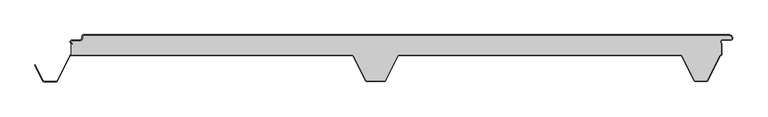
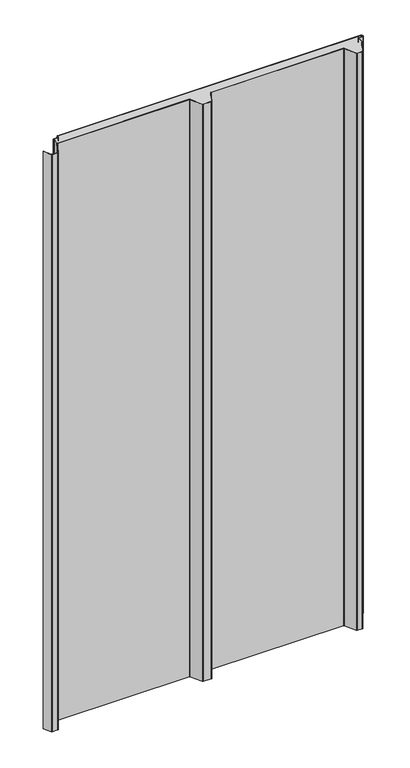
"""IFC4 building model written with IfcOpenShell, lengths in millimetres: proxy geometry."""

from ifc_helpers import new_model, si_unit, point, frame, frame_2d, origin, origin_with_axes, place, context, project, spatial, polyline, circle_curve, trimmed, segment, composite_curve, outline, extrude, source, transform, mapped, element, save
from ifc_brep_helpers import plane_surface, cylinder_surface, revolved_surface, advanced_brep


def generic_models_416fec16(model_context):
    return source(origin(), model_context, "Body", "SolidModel", [
        extrude(outline(composite_curve([segment(polyline([(548.7649646, -5.5), (547.9649646, -5.5)]), True, "CONTINUOUS"), segment(trimmed(circle_curve(frame_2d((543.2649646, -5.5)), 4.7), [point((547.9649646, -5.5))], [point((543.2649646, -0.8))], True, "CARTESIAN"), True, "CONTINUOUS"), segment(polyline([(543.2649646, -0.8), (-448.7436881, -0.8)]), True, "CONTINUOUS"), segment(trimmed(circle_curve(frame_2d((-448.7436881, -2.5)), 1.7), [point((-448.7436881, -0.8))], [point((-450.4436881, -2.5))], True, "CARTESIAN"), True, "CONTINUOUS"), segment(polyline([(-450.4436881, -2.5), (-450.4436881, -5.5)]), True, "CONTINUOUS"), segment(trimmed(circle_curve(frame_2d((-453.7436881, -5.5)), 3.3), [point((-450.4436881, -5.5))], [point((-453.7436881, -8.8))], False, "CARTESIAN"), True, "CONTINUOUS"), segment(polyline([(-453.7436881, -8.8), (-466.2436881, -8.8)]), True, "CONTINUOUS"), segment(trimmed(circle_curve(frame_2d((-466.2436881, -11.0)), 2.2), [point((-466.2436881, -8.8))], [point((-466.2436881, -13.2))], True, "CARTESIAN"), True, "CONTINUOUS"), segment(polyline([(-466.2436881, -13.2), (-466.2436881, -14.0)]), True, "CONTINUOUS"), segment(trimmed(circle_curve(frame_2d((-466.2436881, -11.0)), 3.0), [point((-466.2436881, -14.0))], [point((-466.2436881, -8.0))], False, "CARTESIAN"), True, "CONTINUOUS"), segment(polyline([(-466.2436881, -8.0), (-453.7436881, -8.0)]), True, "CONTINUOUS"), segment(trimmed(circle_curve(frame_2d((-453.7436881, -5.5)), 2.5), [point((-453.7436881, -8.0))], [point((-451.2436881, -5.5))], True, "CARTESIAN"), True, "CONTINUOUS"), segment(polyline([(-451.2436881, -5.5), (-451.2436881, -2.5)]), True, "CONTINUOUS"), segment(trimmed(circle_curve(frame_2d((-448.7436881, -2.5)), 2.5), [point((-451.2436881, -2.5))], [point((-448.7436881, 0.0))], False, "CARTESIAN"), True, "CONTINUOUS"), segment(polyline([(-448.7436881, 0.0), (543.2649646, 0.0)]), True, "CONTINUOUS"), segment(trimmed(circle_curve(frame_2d((543.2649646, -5.5)), 5.5), [point((543.2649646, 0.0))], [point((548.7649646, -5.5))], False, "CARTESIAN"), True, "CONTINUOUS")], self_intersect=False)), origin_with_axes(), (0.0, 0.0, 1.0), 2000.0),
        advanced_brep(
        [(-466.2436881, -13.2, 2000.0), (-466.2436881, -14.0, 2000.0), (-467.612692, -13.6694247, 2000.0), (-467.612692, -31.0, 2000.0), (-36.4222721, -31.0, 2000.0), (-33.6488557, -32.715023, 2000.0), (-14.9197036, -70.2201502, 2000.0), (-13.5777279, -71.05, 2000.0), (13.5777279, -71.05, 2000.0), (14.9197036, -70.2201502, 2000.0), (33.6488557, -32.715023, 2000.0), (36.4222721, -31.0, 2000.0), (468.5950334, -31.0, 2000.0), (471.3684498, -32.715023, 2000.0), (490.097602, -70.2201502, 2000.0), (491.4395777, -71.05, 2000.0), (508.577726, -71.05, 2000.0), (509.9186975, -70.2221572, 2000.0), (528.900782, -32.3523913, 2000.0), (531.587308, -30.2829331, 2000.0), (531.587308, -14.1201638, 2000.0), (533.7563119, -7.2, 2000.0), (546.2563119, -7.2, 2000.0), (547.9563119, -5.5, 2000.0), (543.2649646, -0.8, 2000.0), (-448.7436881, -0.8, 2000.0), (-450.4436881, -2.5, 2000.0), (-450.4436881, -5.5, 2000.0), (-453.7436881, -8.8, 2000.0), (-466.2436881, -8.8, 2000.0), (-466.2436881, -13.2, 0.0), (-466.2436881, -8.8, 0.0), (-453.7436881, -8.8, 0.0), (-450.4436881, -5.5, 0.0), (-450.4436881, -2.5, 0.0), (-448.7436881, -0.8, 0.0), (543.2649646, -0.8, 0.0), (547.9649646, -5.5, 0.0), (546.2563119, -7.2, 0.0), (533.7563119, -7.2, 0.0), (531.587308, -14.1201638, 0.0), (531.587308, -30.2829331, 0.0), (528.900782, -32.3523913, 0.0), (509.9186975, -70.2221572, 0.0), (508.577726, -71.05, 0.0), (491.4395777, -71.05, 0.0), (490.097602, -70.2201502, 0.0), (471.3684498, -32.715023, 0.0), (468.5950334, -31.0, 0.0), (36.4222721, -31.0, 0.0), (33.6488557, -32.715023, 0.0), (14.9197036, -70.2201502, 0.0), (13.5777279, -71.05, 0.0), (-13.5777279, -71.05, 0.0), (-14.9197036, -70.2201502, 0.0), (-33.6488557, -32.715023, 0.0), (-36.4222721, -31.0, 0.0), (-467.612692, -31.0, 0.0), (-467.612692, -13.6694247, 0.0), (-466.2436881, -14.0, 0.0)],
        [
            (0, 1),
            (1, 2, circle_curve(frame((-466.2436881, -11.0, 2000.0), z_axis=(0.0, 0.0, -1.0), x_axis=(1.0, 0.0, 0.0)), 3.0)),
            (2, 3),
            (3, 4),
            (4, 5, circle_curve(frame((-36.4222721, -34.1, 2000.0), z_axis=(0.0, 0.0, -1.0), x_axis=(1.0, 0.0, 0.0)), 3.1)),
            (5, 6),
            (6, 7, circle_curve(frame((-13.5777279, -69.55, 2000.0), z_axis=(0.0, 0.0, 1.0), x_axis=(1.0, 0.0, 0.0)), 1.5)),
            (7, 8),
            (8, 9, circle_curve(frame((13.5777279, -69.55, 2000.0), z_axis=(0.0, 0.0, 1.0), x_axis=(1.0, 0.0, 0.0)), 1.5)),
            (9, 10),
            (10, 11, circle_curve(frame((36.4222721, -34.1, 2000.0), z_axis=(0.0, 0.0, -1.0), x_axis=(1.0, 0.0, 0.0)), 3.1)),
            (11, 12),
            (12, 13, circle_curve(frame((468.5950334, -34.1, 2000.0), z_axis=(0.0, 0.0, -1.0), x_axis=(1.0, 0.0, 0.0)), 3.1)),
            (13, 14),
            (14, 15, circle_curve(frame((491.4395777, -69.55, 2000.0), z_axis=(0.0, 0.0, 1.0), x_axis=(1.0, 0.0, 0.0)), 1.5)),
            (15, 16),
            (16, 17, circle_curve(frame((508.577726, -69.55, 2000.0), z_axis=(0.0, 0.0, 1.0), x_axis=(1.0, 0.0, 0.0)), 1.5)),
            (17, 18),
            (18, 19, circle_curve(frame((532.387308, -34.1, 2000.0), z_axis=(0.0, 0.0, -1.0), x_axis=(1.0, 0.0, 0.0)), 3.9)),
            (19, 20),
            (20, 21, circle_curve(frame((533.7563119, -11.0, 2000.0), z_axis=(0.0, 0.0, -1.0), x_axis=(1.0, 0.0, 0.0)), 3.8)),
            (21, 22),
            (22, 23, circle_curve(frame((546.2563119, -5.5, 2000.0), z_axis=(0.0, 0.0, 1.0), x_axis=(1.0, 0.0, 0.0)), 1.7)),
            (23, 24, circle_curve(frame((543.2649646, -5.5, 2000.0), z_axis=(0.0, 0.0, 1.0), x_axis=(1.0, 0.0, 0.0)), 4.7)),
            (24, 25),
            (25, 26, circle_curve(frame((-448.7436881, -2.5, 2000.0), z_axis=(0.0, 0.0, 1.0), x_axis=(1.0, 0.0, 0.0)), 1.7)),
            (26, 27),
            (27, 28, circle_curve(frame((-453.7436881, -5.5, 2000.0), z_axis=(0.0, 0.0, -1.0), x_axis=(1.0, 0.0, 0.0)), 3.3)),
            (28, 29),
            (29, 0, circle_curve(frame((-466.2436881, -11.0, 2000.0), z_axis=(0.0, 0.0, 1.0), x_axis=(1.0, 0.0, 0.0)), 2.2)),
            (30, 31, circle_curve(frame((-466.2436881, -11.0, 0.0), z_axis=(0.0, 0.0, -1.0), x_axis=(1.0, 0.0, 0.0)), 2.2)),
            (31, 32),
            (32, 33, circle_curve(frame((-453.7436881, -5.5, 0.0), z_axis=(0.0, 0.0, 1.0), x_axis=(1.0, 0.0, 0.0)), 3.3)),
            (33, 34),
            (34, 35, circle_curve(frame((-448.7436881, -2.5, 0.0), z_axis=(0.0, 0.0, -1.0), x_axis=(1.0, 0.0, 0.0)), 1.7)),
            (35, 36),
            (36, 37, circle_curve(frame((543.2649646, -5.5, 0.0), z_axis=(0.0, 0.0, -1.0), x_axis=(1.0, 0.0, 0.0)), 4.7)),
            (37, 38, circle_curve(frame((546.2563119, -5.5, 0.0), z_axis=(0.0, 0.0, -1.0), x_axis=(1.0, 0.0, 0.0)), 1.7)),
            (38, 39),
            (39, 40, circle_curve(frame((533.7563119, -11.0, 0.0), z_axis=(0.0, 0.0, 1.0), x_axis=(1.0, 0.0, 0.0)), 3.8)),
            (40, 41),
            (41, 42, circle_curve(frame((532.387308, -34.1, 0.0), z_axis=(0.0, 0.0, 1.0), x_axis=(1.0, 0.0, 0.0)), 3.9)),
            (42, 43),
            (43, 44, circle_curve(frame((508.577726, -69.55, 0.0), z_axis=(0.0, 0.0, -1.0), x_axis=(1.0, 0.0, 0.0)), 1.5)),
            (44, 45),
            (45, 46, circle_curve(frame((491.4395777, -69.55, 0.0), z_axis=(0.0, 0.0, -1.0), x_axis=(1.0, 0.0, 0.0)), 1.5)),
            (46, 47),
            (47, 48, circle_curve(frame((468.5950334, -34.1, 0.0), z_axis=(0.0, 0.0, 1.0), x_axis=(1.0, 0.0, 0.0)), 3.1)),
            (48, 49),
            (49, 50, circle_curve(frame((36.4222721, -34.1, 0.0), z_axis=(0.0, 0.0, 1.0), x_axis=(1.0, 0.0, 0.0)), 3.1)),
            (50, 51),
            (51, 52, circle_curve(frame((13.5777279, -69.55, 0.0), z_axis=(0.0, 0.0, -1.0), x_axis=(1.0, 0.0, 0.0)), 1.5)),
            (52, 53),
            (53, 54, circle_curve(frame((-13.5777279, -69.55, 0.0), z_axis=(0.0, 0.0, -1.0), x_axis=(1.0, 0.0, 0.0)), 1.5)),
            (54, 55),
            (55, 56, circle_curve(frame((-36.4222721, -34.1, 0.0), z_axis=(0.0, 0.0, 1.0), x_axis=(1.0, 0.0, 0.0)), 3.1)),
            (56, 57),
            (57, 58),
            (58, 59, circle_curve(frame((-466.2436881, -11.0, 0.0), z_axis=(0.0, 0.0, 1.0), x_axis=(1.0, 0.0, 0.0)), 3.0)),
            (59, 30),
            (0, 30),
            (59, 1),
            (58, 2),
            (57, 3),
            (56, 4),
            (55, 5),
            (54, 6),
            (53, 7),
            (52, 8),
            (51, 9),
            (50, 10),
            (49, 11),
            (48, 12),
            (47, 13),
            (46, 14),
            (45, 15),
            (44, 16),
            (43, 17),
            (42, 18),
            (23, 37),
            (36, 24),
            (35, 25),
            (34, 26),
            (33, 27),
            (32, 28),
            (31, 29),
            (41, 19),
            (40, 20),
            (39, 21),
            (38, 22),
        ],
        [
            plane_surface(frame((-466.2436881, -14.0, 2000.0), z_axis=(0.0, 0.0, 1.0), x_axis=(0.0, -1.0, 0.0))),
            plane_surface(frame((-466.2436881, -14.0, 0.0), z_axis=(0.0, 0.0, -1.0), x_axis=(0.0, 1.0, 0.0))),
            plane_surface(frame((-466.2436881, -13.2, 2000.0), z_axis=(-1.0, 0.0, 0.0), x_axis=(0.0, 0.0, -1.0))),
            revolved_surface(polyline([(-463.2436881, -11.0, 0.0), (-463.2436881, -11.0, 2000.0)]), (-466.2436881, -11.0, 0.0), (0.0, 0.0, -1.0)),
            plane_surface(frame((-467.612692, -13.6694247, 2000.0), z_axis=(-1.0, 0.0, 0.0), x_axis=(0.0, 0.0, -1.0))),
            plane_surface(frame((-467.612692, -31.0, 2000.0), z_axis=(0.0, -1.0, 0.0), x_axis=(0.0, 0.0, -1.0))),
            revolved_surface(polyline([(-33.3222721, -34.1, 0.0), (-33.3222721, -34.1, 2000.0)]), (-36.4222721, -34.1, 0.0), (0.0, 0.0, -1.0)),
            plane_surface(frame((-33.6488557, -32.715023, 2000.0), z_axis=(-0.8946504628098966, -0.4467667729297223, 0.0), x_axis=(0.0, 0.0, -1.0))),
            cylinder_surface(frame((-13.5777279, -69.55, 0.0), z_axis=(0.0, 0.0, 1.0), x_axis=(1.0, 0.0, 0.0)), 1.5),
            plane_surface(frame((-13.5777279, -71.05, 2000.0), z_axis=(5.480851157301276e-12, -1.0, 0.0), x_axis=(0.0, 0.0, -1.0))),
            cylinder_surface(frame((13.5777279, -69.55, 0.0), z_axis=(0.0, 0.0, 1.0), x_axis=(1.0, 0.0, 0.0)), 1.5),
            plane_surface(frame((14.9197036, -70.2201502, 2000.0), z_axis=(0.894650462808013, -0.4467667729334942, 0.0), x_axis=(0.0, 0.0, -1.0))),
            revolved_surface(polyline([(39.5222721, -34.1, 0.0), (39.5222721, -34.1, 2000.0)]), (36.4222721, -34.1, 0.0), (0.0, 0.0, -1.0)),
            plane_surface(frame((36.4222721, -31.0, 2000.0), z_axis=(0.0, -1.0, 0.0), x_axis=(0.0, 0.0, -1.0))),
            revolved_surface(polyline([(471.6950334, -34.1, 0.0), (471.6950334, -34.1, 2000.0)]), (468.5950334, -34.1, 0.0), (0.0, 0.0, -1.0)),
            plane_surface(frame((471.3684498, -32.715023, 2000.0), z_axis=(-0.8946504628065555, -0.44676677293641287, 0.0), x_axis=(0.0, 0.0, -1.0))),
            cylinder_surface(frame((491.4395777, -69.55, 0.0), z_axis=(0.0, 0.0, 1.0), x_axis=(1.0, 0.0, 0.0)), 1.5),
            plane_surface(frame((491.4395777, -71.05, 2000.0), z_axis=(0.0, -1.0, 0.0), x_axis=(0.0, 0.0, -1.0))),
            cylinder_surface(frame((508.577726, -69.55, 0.0), z_axis=(0.0, 0.0, 1.0), x_axis=(1.0, 0.0, 0.0)), 1.5),
            plane_surface(frame((509.9186975, -70.2221572, 2000.0), z_axis=(0.8939810379181881, -0.44810479114010754, 0.0), x_axis=(0.0, 0.0, -1.0))),
            cylinder_surface(frame((543.2649646, -5.5, 0.0), z_axis=(0.0, 0.0, 1.0), x_axis=(1.0, 0.0, 0.0)), 4.7),
            plane_surface(frame((543.2649646, -0.8, 2000.0), z_axis=(0.0, 1.0, 0.0), x_axis=(0.0, 0.0, -1.0))),
            cylinder_surface(frame((-448.7436881, -2.5, 0.0), z_axis=(0.0, 0.0, 1.0), x_axis=(1.0, 0.0, 0.0)), 1.7),
            plane_surface(frame((-450.4436881, -2.5, 2000.0), z_axis=(-1.0, 0.0, 0.0), x_axis=(0.0, 0.0, -1.0))),
            revolved_surface(polyline([(-450.4436881, -5.5, 0.0), (-450.4436881, -5.5, 2000.0)]), (-453.7436881, -5.5, 0.0), (0.0, 0.0, -1.0)),
            plane_surface(frame((-453.7436881, -8.8, 2000.0), z_axis=(0.0, 1.0, 0.0), x_axis=(0.0, 0.0, -1.0))),
            cylinder_surface(frame((-466.2436881, -11.0, 0.0), z_axis=(0.0, 0.0, 1.0), x_axis=(1.0, 0.0, 0.0)), 2.2),
            revolved_surface(polyline([(536.2873079999999, -34.1, 0.0), (536.2873079999999, -34.1, 2000.0)]), (532.387308, -34.1, 0.0), (0.0, 0.0, -1.0)),
            plane_surface(frame((531.587308, -30.2829331, 2000.0), z_axis=(1.0, 0.0, 0.0), x_axis=(0.0, 0.0, -1.0))),
            revolved_surface(polyline([(537.5563119, -11.0, 0.0), (537.5563119, -11.0, 2000.0)]), (533.7563119, -11.0, 0.0), (0.0, 0.0, -1.0)),
            plane_surface(frame((533.7563119, -7.2, 2000.0), z_axis=(0.0, -1.0, 0.0), x_axis=(0.0, 0.0, -1.0))),
            cylinder_surface(frame((546.2563119, -5.5, 0.0), z_axis=(0.0, 0.0, 1.0), x_axis=(1.0, 0.0, 0.0)), 1.7),
        ],
        [
            (0, [[1, 2, 3, 4, 5, 6, 7, 8, 9, 10, 11, 12, 13, 14, 15, 16, 17, 18, 19, 20, 21, 22, 23, 24, 25, 26, 27, 28, 29, 30]]),
            (1, [[31, 32, 33, 34, 35, 36, 37, 38, 39, 40, 41, 42, 43, 44, 45, 46, 47, 48, 49, 50, 51, 52, 53, 54, 55, 56, 57, 58, 59, 60]]),
            (2, [[-1, 61, -60, 62]]),
            (3, [[-2, -62, -59, 63]]),
            (4, [[-3, -63, -58, 64]]),
            (5, [[-4, -64, -57, 65]]),
            (6, [[-5, -65, -56, 66]]),
            (7, [[-6, -66, -55, 67]]),
            (8, [[-7, -67, -54, 68]]),
            (9, [[-8, -68, -53, 69]]),
            (10, [[-9, -69, -52, 70]]),
            (11, [[-10, -70, -51, 71]]),
            (12, [[-11, -71, -50, 72]]),
            (13, [[-12, -72, -49, 73]]),
            (14, [[-13, -73, -48, 74]]),
            (15, [[-14, -74, -47, 75]]),
            (16, [[-15, -75, -46, 76]]),
            (17, [[-16, -76, -45, 77]]),
            (18, [[-17, -77, -44, 78]]),
            (19, [[-18, -78, -43, 79]]),
            (20, [[-24, 80, -37, 81]]),
            (21, [[-25, -81, -36, 82]]),
            (22, [[-26, -82, -35, 83]]),
            (23, [[-27, -83, -34, 84]]),
            (24, [[-28, -84, -33, 85]]),
            (25, [[-29, -85, -32, 86]]),
            (26, [[-30, -86, -31, -61]]),
            (27, [[-19, -79, -42, 87]]),
            (28, [[-20, -87, -41, 88]]),
            (29, [[-21, -88, -40, 89]]),
            (30, [[-22, -89, -39, 90]]),
            (31, [[-23, -90, -38, -80]]),
        ],
    ),
        extrude(outline(composite_curve([segment(polyline([(-523.5365904, -46.7174495), (-522.82087, -46.3600361), (-510.4107041, -71.2113932)]), True, "CONTINUOUS"), segment(trimmed(circle_curve(frame_2d((-509.0687284, -70.541243)), 1.5), [point((-510.4107041, -71.2113932))], [point((-509.0687284, -72.041243))], True, "CARTESIAN"), True, "CONTINUOUS"), segment(polyline([(-509.0687284, -72.041243), (-490.9312716, -72.041243)]), True, "CONTINUOUS"), segment(trimmed(circle_curve(frame_2d((-490.9312716, -70.541243)), 1.5), [point((-490.9312716, -72.041243))], [point((-489.5890038, -71.210808))], True, "CARTESIAN"), True, "CONTINUOUS"), segment(polyline([(-489.5890038, -71.210808), (-470.3867121, -32.7162325)]), True, "CONTINUOUS"), segment(trimmed(circle_curve(frame_2d((-467.612692, -34.1)), 3.1), [point((-470.3867121, -32.7162325))], [point((-467.612692, -31.0))], False, "CARTESIAN"), True, "CONTINUOUS"), segment(polyline([(-467.612692, -31.0), (-36.4222721, -31.0)]), True, "CONTINUOUS"), segment(trimmed(circle_curve(frame_2d((-36.4222721, -34.1)), 3.1), [point((-36.4222721, -31.0))], [point((-33.6488557, -32.715023))], False, "CARTESIAN"), True, "CONTINUOUS"), segment(polyline([(-33.6488557, -32.715023), (-14.9197036, -70.2201502)]), True, "CONTINUOUS"), segment(trimmed(circle_curve(frame_2d((-13.5777279, -69.55)), 1.5), [point((-14.9197036, -70.2201502))], [point((-13.5777279, -71.05))], True, "CARTESIAN"), True, "CONTINUOUS"), segment(polyline([(-13.5777279, -71.05), (13.5777279, -71.05)]), True, "CONTINUOUS"), segment(trimmed(circle_curve(frame_2d((13.5777279, -69.55)), 1.5), [point((13.5777279, -71.05))], [point((14.9197036, -70.2201502))], True, "CARTESIAN"), True, "CONTINUOUS"), segment(polyline([(14.9197036, -70.2201502), (33.6488557, -32.715023)]), True, "CONTINUOUS"), segment(trimmed(circle_curve(frame_2d((36.4222721, -34.1)), 3.1), [point((33.6488557, -32.715023))], [point((36.4222721, -31.0))], False, "CARTESIAN"), True, "CONTINUOUS"), segment(polyline([(36.4222721, -31.0), (468.5950334, -31.0)]), True, "CONTINUOUS"), segment(trimmed(circle_curve(frame_2d((468.5950334, -34.1)), 3.1), [point((468.5950334, -31.0))], [point((471.3684498, -32.715023))], False, "CARTESIAN"), True, "CONTINUOUS"), segment(polyline([(471.3684498, -32.715023), (490.097602, -70.2201502)]), True, "CONTINUOUS"), segment(trimmed(circle_curve(frame_2d((491.4395777, -69.55)), 1.5), [point((490.097602, -70.2201502))], [point((491.4395777, -71.05))], True, "CARTESIAN"), True, "CONTINUOUS"), segment(polyline([(491.4395777, -71.05), (508.577725, -71.05)]), True, "CONTINUOUS"), segment(trimmed(circle_curve(frame_2d((508.577725, -69.55)), 1.5), [point((508.577725, -71.05))], [point((509.9186965, -70.2221572))], True, "CARTESIAN"), True, "CONTINUOUS"), segment(polyline([(509.9186965, -70.2221572), (528.900782, -32.3523912)]), True, "CONTINUOUS"), segment(trimmed(circle_curve(frame_2d((532.387308, -34.1)), 3.9), [point((528.900782, -32.3523912))], [point((531.587308, -30.2829331))], False, "CARTESIAN"), True, "CONTINUOUS"), segment(polyline([(531.587308, -30.2829331), (531.587308, -14.1201638)]), True, "CONTINUOUS"), segment(trimmed(circle_curve(frame_2d((533.7563119, -11.0)), 3.8), [point((531.587308, -14.1201638))], [point((533.7563119, -7.2))], False, "CARTESIAN"), True, "CONTINUOUS"), segment(polyline([(533.7563119, -7.2), (546.2563119, -7.2)]), True, "CONTINUOUS"), segment(trimmed(circle_curve(frame_2d((546.2563119, -5.5)), 1.7), [point((546.2563119, -7.2))], [point((547.9563119, -5.5))], True, "CARTESIAN"), True, "CONTINUOUS"), segment(polyline([(547.9563119, -5.5), (548.7563119, -5.5)]), True, "CONTINUOUS"), segment(trimmed(circle_curve(frame_2d((546.2563119, -5.5)), 2.5), [point((548.7563119, -5.5))], [point((546.2563119, -8.0))], False, "CARTESIAN"), True, "CONTINUOUS"), segment(polyline([(546.2563119, -8.0), (533.7563119, -8.0)]), True, "CONTINUOUS"), segment(trimmed(circle_curve(frame_2d((533.7563119, -11.0)), 3.0), [point((533.7563119, -8.0))], [point((532.387308, -13.6694247))], True, "CARTESIAN"), True, "CONTINUOUS"), segment(polyline([(532.387308, -13.6694247), (532.387308, -31.0)]), True, "CONTINUOUS"), segment(trimmed(circle_curve(frame_2d((532.387308, -34.1)), 3.1), [point((532.387308, -31.0))], [point((529.6159668, -32.7108751))], True, "CARTESIAN"), True, "CONTINUOUS"), segment(polyline([(529.6159668, -32.7108751), (510.6338814, -70.5806411)]), True, "CONTINUOUS"), segment(trimmed(circle_curve(frame_2d((508.577725, -69.55)), 2.3), [point((510.6338814, -70.5806411))], [point((508.577725, -71.85))], False, "CARTESIAN"), True, "CONTINUOUS"), segment(polyline([(508.577725, -71.85), (491.4395777, -71.85)]), True, "CONTINUOUS"), segment(trimmed(circle_curve(frame_2d((491.4395777, -69.55)), 2.3), [point((491.4395777, -71.85))], [point((489.3818816, -70.5775636))], False, "CARTESIAN"), True, "CONTINUOUS"), segment(polyline([(489.3818816, -70.5775636), (470.6527295, -33.0724364)]), True, "CONTINUOUS"), segment(trimmed(circle_curve(frame_2d((468.5950334, -34.1)), 2.3), [point((470.6527295, -33.0724364))], [point((468.5950334, -31.8))], True, "CARTESIAN"), True, "CONTINUOUS"), segment(polyline([(468.5950334, -31.8), (36.4222721, -31.8)]), True, "CONTINUOUS"), segment(trimmed(circle_curve(frame_2d((36.4222721, -34.1)), 2.3), [point((36.4222721, -31.8))], [point((34.3645761, -33.0724364))], True, "CARTESIAN"), True, "CONTINUOUS"), segment(polyline([(34.3645761, -33.0724364), (15.6354239, -70.5775636)]), True, "CONTINUOUS"), segment(trimmed(circle_curve(frame_2d((13.5777279, -69.55)), 2.3), [point((15.6354239, -70.5775636))], [point((13.5777279, -71.85))], False, "CARTESIAN"), True, "CONTINUOUS"), segment(polyline([(13.5777279, -71.85), (-13.5777279, -71.85)]), True, "CONTINUOUS"), segment(trimmed(circle_curve(frame_2d((-13.5777279, -69.55)), 2.3), [point((-13.5777279, -71.85))], [point((-15.6354239, -70.5775636))], False, "CARTESIAN"), True, "CONTINUOUS"), segment(polyline([(-15.6354239, -70.5775636), (-34.3645761, -33.0724364)]), True, "CONTINUOUS"), segment(trimmed(circle_curve(frame_2d((-36.4222721, -34.1)), 2.3), [point((-34.3645761, -33.0724364))], [point((-36.4222721, -31.8))], True, "CARTESIAN"), True, "CONTINUOUS"), segment(polyline([(-36.4222721, -31.8), (-467.612692, -31.8)]), True, "CONTINUOUS"), segment(trimmed(circle_curve(frame_2d((-467.612692, -34.1)), 2.3), [point((-467.612692, -31.8))], [point((-469.6708359, -33.0733338))], True, "CARTESIAN"), True, "CONTINUOUS"), segment(polyline([(-469.6708359, -33.0733338), (-488.8731276, -71.5679093)]), True, "CONTINUOUS"), segment(trimmed(circle_curve(frame_2d((-490.9312716, -70.541243)), 2.3), [point((-488.8731276, -71.5679093))], [point((-490.9312716, -72.841243))], False, "CARTESIAN"), True, "CONTINUOUS"), segment(polyline([(-490.9312716, -72.841243), (-509.0687284, -72.841243)]), True, "CONTINUOUS"), segment(trimmed(circle_curve(frame_2d((-509.0687284, -70.541243)), 2.3), [point((-509.0687284, -72.841243))], [point((-511.1264245, -71.5688066))], False, "CARTESIAN"), True, "CONTINUOUS"), segment(polyline([(-511.1264245, -71.5688066), (-523.5365904, -46.7174495)]), True, "CONTINUOUS")], self_intersect=False)), origin_with_axes(), (0.0, 0.0, 1.0), 2000.0),
    ])


if __name__ == "__main__":
    model = new_model("IFC4")
    model_context = context("Model", 3, world=origin())
    ifc_project = project(units=[si_unit("LENGTHUNIT", "METRE", prefix="MILLI")], contexts=[model_context])
    site = spatial("IfcSite", under=ifc_project)
    building = spatial("IfcBuilding", under=site)
    placement = place(None, origin())
    generic_models_shape = generic_models_416fec16(model_context)
    element("IfcBuildingElementProxy", 1, Name="Generic Models", at=placement, inside=building, context=model_context, shape_type="MappedRepresentation", body=[
        mapped(generic_models_shape, transform((0.0, 0.0, 0.0), x_axis=(1.0, 0.0, 0.0), y_axis=(0.0, 1.0, 0.0), z_axis=(0.0, 0.0, 1.0))),
    ])
    save(model, "model.ifc")
